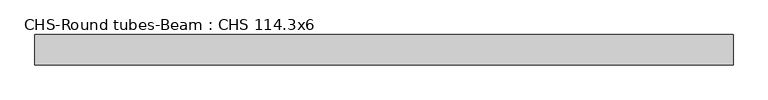
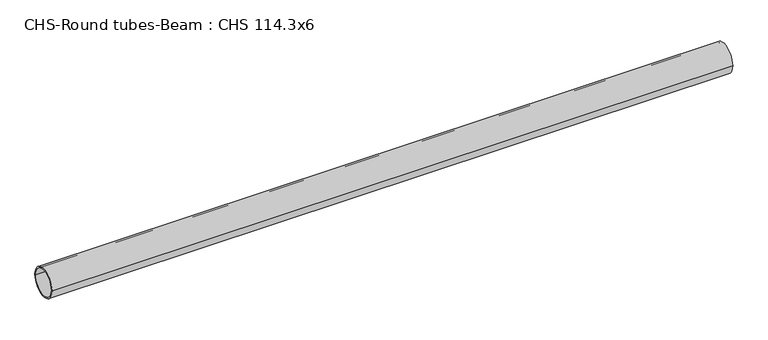
"""IFC4 building model written with IfcOpenShell, lengths in millimetres: beam geometry, CHS-Round tubes-Beam : CHS 114.3x6."""

from ifc_helpers import new_model, si_unit, point, frame, origin, origin_2d, place, context, project, spatial, circle_curve, trimmed, segment, composite_curve, outline, extrude, source, transform, mapped, element, save


def chs_round_tubes_beam_chs_114_3x6_c205b78a(model_context):
    return source(origin(), model_context, "Body", "SweptSolid", [
        extrude(outline(composite_curve([segment(trimmed(circle_curve(origin_2d(), 57.15), [point((57.15, 0.0))], [point((-57.15, 0.0))], False, "CARTESIAN"), True, "CONTINUOUS"), segment(trimmed(circle_curve(origin_2d(), 57.15), [point((-57.15, 0.0))], [point((57.15, 0.0))], False, "CARTESIAN"), True, "CONTINUOUS")], self_intersect=False), holes=[composite_curve([segment(trimmed(circle_curve(origin_2d(), 51.15), [point((51.15, 0.0))], [point((-51.15, 0.0))], True, "CARTESIAN"), True, "CONTINUOUS"), segment(trimmed(circle_curve(origin_2d(), 51.15), [point((-51.15, 0.0))], [point((51.15, 0.0))], True, "CARTESIAN"), True, "CONTINUOUS")], self_intersect=False)]), frame((-1318.1506565, 0.0, 0.0), z_axis=(1.0, 0.0, 0.0), x_axis=(0.0, 1.0, 0.0)), (0.0, 0.0, 1.0), 2624.3322055),
    ])


if __name__ == "__main__":
    model = new_model("IFC4")
    model_context = context("Model", 3, world=origin())
    ifc_project = project(units=[si_unit("LENGTHUNIT", "METRE", prefix="MILLI")], contexts=[model_context])
    site = spatial("IfcSite", under=ifc_project)
    building = spatial("IfcBuilding", under=site)
    placement = place(None, origin())
    chs_round_tubes_beam_chs_114_3x6_shape = chs_round_tubes_beam_chs_114_3x6_c205b78a(model_context)
    element("IfcBeam", 1, ObjectType="CHS-Round tubes-Beam : CHS 114.3x6", at=placement, inside=building, context=model_context, shape_type="MappedRepresentation", body=[
        mapped(chs_round_tubes_beam_chs_114_3x6_shape, transform((0.0, 0.0, 0.0), x_axis=(1.0, 0.0, 0.0), y_axis=(0.0, 1.0, 0.0), z_axis=(0.0, 0.0, 1.0))),
    ])
    save(model, "model.ifc")
